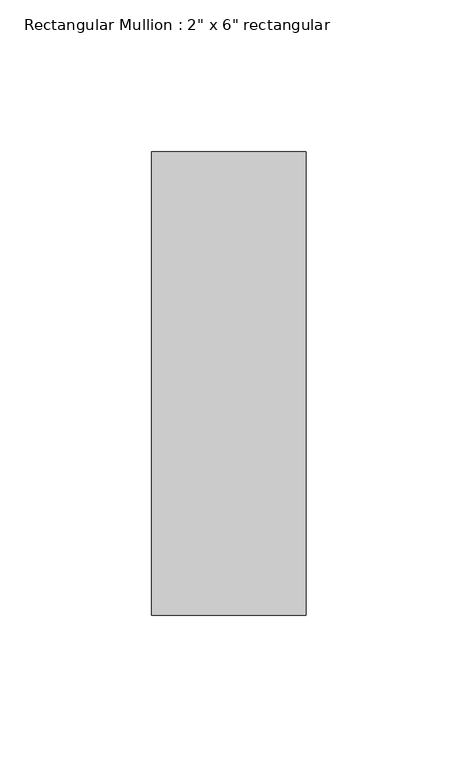
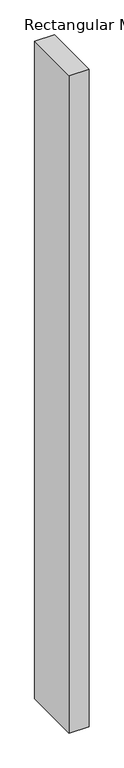
"""IFC4 building model written with IfcOpenShell, lengths in millimetres: member geometry."""

import ifcopenshell
import ifcopenshell.guid

model = None  # the IFC model being written
_history = None  # IfcOwnerHistory: only IFC2X3 demands one
_inside = {}  # id of a spatial element -> (the spatial element, [elements in it])
_under = {}  # id of a project, library or spatial element -> (it, [spatial elements below it])
_declared = {}  # id of a project -> (the project, [libraries it declares])
_typed = {}  # id of a type object -> (the type object, [elements of that type])
_made_of = {}  # id of a material, layer set ... -> (it, [elements and type objects made of it])


def new_model(schema):
    """Start an empty IFC model of exactly this schema.

    Asked for "IFC4X3", IfcOpenShell would pick the latest addendum, in which some entities
    have other attributes; the version numbers below select the first issue.
    IFC2X3 requires an IfcOwnerHistory on every rooted entity: one is made here for all.
    """
    global model, _history
    if schema == "IFC4X3":
        model = ifcopenshell.file(schema_version=(4, 3, 0, 0))
    else:
        model = ifcopenshell.file(schema=schema)
    _inside.clear()
    _under.clear()
    _declared.clear()
    _typed.clear()
    _made_of.clear()
    _history = None
    if model.schema == "IFC2X3":
        org = make("IfcOrganization", Name="unknown")
        user = make(
            "IfcPersonAndOrganization",
            ThePerson=make("IfcPerson", FamilyName="unknown"),
            TheOrganization=org,
        )
        app = make(
            "IfcApplication",
            ApplicationDeveloper=org,
            Version="unknown",
            ApplicationFullName="unknown",
            ApplicationIdentifier="unknown",
        )
        _history = make(
            "IfcOwnerHistory",
            OwningUser=user,
            OwningApplication=app,
            ChangeAction="ADDED",
            CreationDate=0,
        )
    return model


def make(cls, **values):
    """One entity of the class cls with the attributes given. An attribute that is None is left unset."""
    return model.create_entity(
        cls, **{name: value for name, value in values.items() if value is not None}
    )


def rooted(cls, **values):
    """An entity with a GlobalId (a new one), such as an element, a storey or a relation."""
    return make(cls, GlobalId=ifcopenshell.guid.new(), OwnerHistory=_history, **values)


def si_unit(unit_type, name, prefix=None):
    """IfcSIUnit, for example si_unit("LENGTHUNIT", "METRE", prefix="MILLI")."""
    return make("IfcSIUnit", UnitType=unit_type, Prefix=prefix, Name=name)


def assignment(units):
    """IfcUnitAssignment: the units of a project."""
    return None if units is None else make("IfcUnitAssignment", Units=units)


def point(xyz):
    """IfcCartesianPoint."""
    return None if xyz is None else make("IfcCartesianPoint", Coordinates=xyz)


def direction(xyz):
    """IfcDirection."""
    return None if xyz is None else make("IfcDirection", DirectionRatios=xyz)


def frame(location, z_axis=None, x_axis=None):
    """IfcAxis2Placement3D, a coordinate frame: its origin and axes. An axis left out is left unset."""
    return make(
        "IfcAxis2Placement3D",
        Location=point(location),
        Axis=direction(z_axis),
        RefDirection=direction(x_axis),
    )


def origin():
    """The frame at (0, 0, 0) with its axes left unset."""
    return frame((0.0, 0.0, 0.0))


def place(relative_to, where):
    """IfcLocalPlacement: puts the frame where relative to a parent placement (None: the world)."""
    return make(
        "IfcLocalPlacement", PlacementRelTo=relative_to, RelativePlacement=where
    )


def context(
    kind, dimensions, precision=None, world=None, true_north=None, identifier=None
):
    """IfcGeometricRepresentationContext, for example the 3D "Model" context."""
    return make(
        "IfcGeometricRepresentationContext",
        ContextIdentifier=identifier,
        ContextType=kind,
        CoordinateSpaceDimension=dimensions,
        Precision=precision,
        WorldCoordinateSystem=world,
        TrueNorth=true_north,
    )


def project(units=None, contexts=None):
    """IfcProject with its units and contexts."""
    return rooted(
        "IfcProject",
        Name="project",
        RepresentationContexts=contexts,
        UnitsInContext=assignment(units),
    )


def spatial(cls, under=None, at=None, **own):
    """A site, building, storey or space (cls), placed at a placement, below another one or the project."""
    s = rooted(cls, ObjectPlacement=at, **own)
    if under is not None:
        _under.setdefault(under.id(), (under, []))[1].append(s)
    return s


def polyline(points):
    """IfcPolyline through the points."""
    return make("IfcPolyline", Points=[point(p) for p in points])


def outline(outer, holes=None, kind="AREA"):
    """IfcArbitraryClosedProfileDef: a profile drawn as a closed curve; with holes, ...WithVoids."""
    if holes is None:
        return make("IfcArbitraryClosedProfileDef", ProfileType=kind, OuterCurve=outer)
    return make(
        "IfcArbitraryProfileDefWithVoids",
        ProfileType=kind,
        OuterCurve=outer,
        InnerCurves=holes,
    )


def extrude(swept, where, along, depth):
    """IfcExtrudedAreaSolid: the profile swept, set in the frame where, extruded along a direction by depth."""
    return make(
        "IfcExtrudedAreaSolid",
        SweptArea=swept,
        Position=where,
        ExtrudedDirection=direction(along),
        Depth=depth,
    )


def shape(context_of_items, identifier, shape_type, items):
    """IfcShapeRepresentation: the items that make up one representation, for example the "Body"."""
    return make(
        "IfcShapeRepresentation",
        ContextOfItems=context_of_items,
        RepresentationIdentifier=identifier,
        RepresentationType=shape_type,
        Items=items,
    )


def source(mapping_origin, context_of_items, identifier, shape_type, items):
    """IfcRepresentationMap: a shape defined once, which mapped items show again and again."""
    return make(
        "IfcRepresentationMap",
        MappingOrigin=mapping_origin,
        MappedRepresentation=shape(context_of_items, identifier, shape_type, items),
    )


def transform(
    local_origin,
    x_axis=None,
    y_axis=None,
    z_axis=None,
    scale=None,
    scale2=None,
    scale3=None,
    uniform=True,
):
    """IfcCartesianTransformationOperator3D, or its non-uniform kind. x_axis, y_axis, z_axis: its Axis1, 2, 3."""
    if uniform:
        return make(
            "IfcCartesianTransformationOperator3D",
            Axis1=direction(x_axis),
            Axis2=direction(y_axis),
            LocalOrigin=point(local_origin),
            Scale=scale,
            Axis3=direction(z_axis),
        )
    return make(
        "IfcCartesianTransformationOperator3DnonUniform",
        Axis1=direction(x_axis),
        Axis2=direction(y_axis),
        LocalOrigin=point(local_origin),
        Scale=scale,
        Axis3=direction(z_axis),
        Scale2=scale2,
        Scale3=scale3,
    )


def mapped(mapping_source, mapping_target):
    """IfcMappedItem: shows the shape of a source again, moved by a transform."""
    return make(
        "IfcMappedItem", MappingSource=mapping_source, MappingTarget=mapping_target
    )


def made_of(thing, what):
    """Note that an element or type object is made of a material, layer set ...; save() writes the relation."""
    if what is not None:
        _made_of.setdefault(what.id(), (what, []))[1].append(thing)
    return thing


def element(
    cls,
    number,
    at=None,
    inside=None,
    cuts=None,
    type_object=None,
    material=None,
    context=None,
    identifier="Body",
    shape_type=None,
    held_by="IfcProductDefinitionShape",
    body=None,
    shapes=None,
    **own,
):
    """One element of the class cls, such as IfcWall. Its Tag is "e" and its number.

    at: its placement. inside: the storey or other place that contains it. cuts: it is an
    opening in that element (IfcRelVoidsElement). A single representation is given by context,
    identifier, shape_type and body (its items); several are given by shapes. held_by: the class
    of the entity that holds the representations. save() writes the other relations.
    """
    e = rooted(cls, Tag="e%d" % number, ObjectPlacement=at, **own)
    if body is not None:
        shapes = [shape(context, identifier, shape_type, body)]
    if shapes is not None:
        e.Representation = make(held_by, Representations=shapes)
    if inside is not None:
        _inside.setdefault(inside.id(), (inside, []))[1].append(e)
    if cuts is not None:
        rooted(
            "IfcRelVoidsElement", RelatingBuildingElement=cuts, RelatedOpeningElement=e
        )
    if type_object is not None:
        _typed.setdefault(type_object.id(), (type_object, []))[1].append(e)
    return made_of(e, material)


def aggregate(whole, parts):
    """IfcRelAggregates: a whole, such as a stair, and the parts it consists of."""
    return rooted("IfcRelAggregates", RelatingObject=whole, RelatedObjects=parts)


def save(model, path):
    """Write the relations noted so far, then the file.

    IfcRelAggregates (storeys below a building ...), IfcRelContainedInSpatialStructure (elements
    in a storey), IfcRelDefinesByType, IfcRelAssociatesMaterial and IfcRelDeclares: one each for
    every whole, place, type object, material and project.
    """
    for whole, parts in _under.values():
        aggregate(whole, parts)
    for where, things in _inside.values():
        rooted(
            "IfcRelContainedInSpatialStructure",
            RelatedElements=things,
            RelatingStructure=where,
        )
    for kind, things in _typed.values():
        rooted("IfcRelDefinesByType", RelatedObjects=things, RelatingType=kind)
    for what, things in _made_of.values():
        rooted("IfcRelAssociatesMaterial", RelatedObjects=things, RelatingMaterial=what)
    for by, libraries in _declared.values():
        rooted("IfcRelDeclares", RelatingContext=by, RelatedDefinitions=libraries)
    model.write(path)


def member_3524247f(model_context):
    return source(origin(), model_context, "Body", "SweptSolid", [
        extrude(outline(polyline([(0.0, 76.2), (0.0, -76.2), (-50.8, -76.2), (-50.8, 76.2), (0.0, 76.2)])), frame((0.0, 0.0, -1778.0), z_axis=(0.0, 0.0, 1.0), x_axis=(1.0, 0.0, 0.0)), (0.0, 0.0, 1.0), 1778.0),
    ])


if __name__ == "__main__":
    model = new_model("IFC4")
    model_context = context("Model", 3, world=origin())
    ifc_project = project(units=[si_unit("LENGTHUNIT", "METRE", prefix="MILLI")], contexts=[model_context])
    site = spatial("IfcSite", under=ifc_project)
    building = spatial("IfcBuilding", under=site)
    placement = place(None, origin())
    member_shape = member_3524247f(model_context)
    element("IfcMember", 1, ObjectType="Rectangular Mullion : 2\" x 6\" rectangular", at=placement, inside=building, context=model_context, shape_type="MappedRepresentation", body=[
        mapped(member_shape, transform((0.0, 0.0, 0.0), x_axis=(1.0, 0.0, 0.0), y_axis=(0.0, 1.0, 0.0), z_axis=(0.0, 0.0, 1.0))),
    ])
    save(model, "model.ifc")
